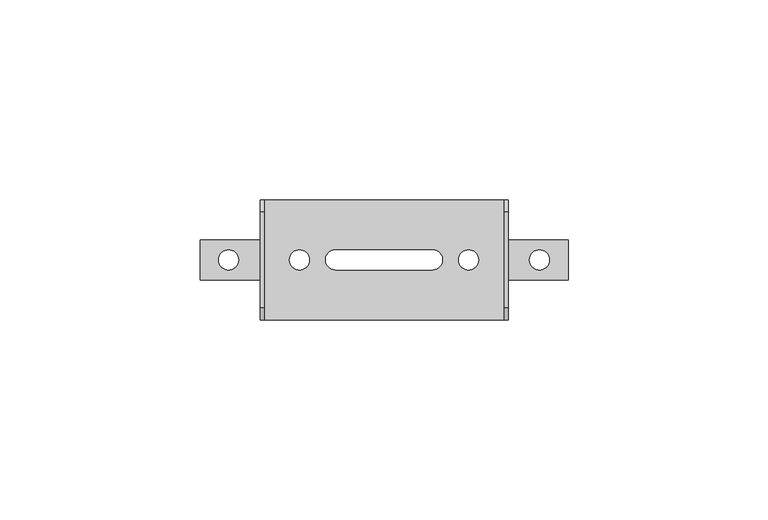
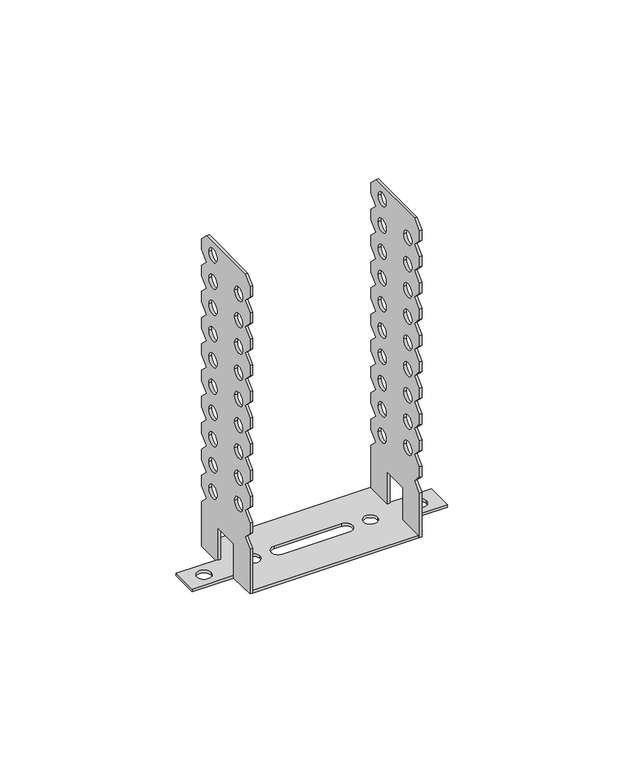
"""IFC4 building model written with IfcOpenShell, lengths in millimetres: proxy geometry."""

from ifc_helpers import new_model, si_unit, point, frame, frame_2d, origin, origin_with_axes, place, context, project, spatial, polyline, circle_curve, trimmed, segment, composite_curve, outline, extrude, source, transform, mapped, element, save


def generic_models_07d005d9(model_context):
    return source(origin(), model_context, "Body", "SweptSolid", [
        extrude(outline(polyline([(5.0, 0.0), (5.0, 13.0), (-5.0, 13.0), (-5.0, 0.0), (-15.0, 0.0), (-15.0, 17.0), (-12.0, 20.0), (-15.0, 23.0), (-15.0, 27.0), (-12.0, 30.0), (-15.0, 33.0), (-15.0, 37.0), (-12.0, 40.0), (-15.0, 43.0), (-15.0, 47.0), (-12.0, 50.0), (-15.0, 53.0), (-15.0, 57.0), (-12.0, 60.0), (-15.0, 63.0), (-15.0, 67.0), (-12.0, 70.0), (-15.0, 73.0), (-15.0, 77.0), (-12.0, 80.0), (-15.0, 83.0), (-15.0, 87.0), (-12.0, 90.0), (-15.0, 93.0), (-15.0, 97.0), (-12.0, 100.0), (-15.0, 103.0), (-15.0, 107.0), (-12.0, 110.0), (-15.0, 113.0), (-15.0, 117.0), (-12.0, 120.0), (12.0, 120.0), (15.0, 117.0), (15.0, 113.0), (12.0, 110.0), (15.0, 107.0), (15.0, 103.0), (12.0, 100.0), (15.0, 97.0), (15.0, 93.0), (12.0, 90.0), (15.0, 87.0), (15.0, 83.0), (12.0, 80.0), (15.0, 77.0), (15.0, 73.0), (12.0, 70.0), (15.0, 67.0), (15.0, 63.0), (12.0, 60.0), (15.0, 57.0), (15.0, 53.0), (12.0, 50.0), (15.0, 47.0), (15.0, 43.0), (12.0, 40.0), (15.0, 37.0), (15.0, 33.0), (12.0, 30.0), (15.0, 27.0), (15.0, 23.0), (12.0, 20.0), (15.0, 17.0), (15.0, 0.0), (5.0, 0.0)]), holes=[composite_curve([segment(trimmed(circle_curve(frame_2d((-8.0, 70.0)), 2.5), [point((-10.5, 70.0))], [point((-5.5, 70.0))], True, "CARTESIAN"), True, "CONTINUOUS"), segment(trimmed(circle_curve(frame_2d((-8.0, 70.0)), 2.5), [point((-5.5, 70.0))], [point((-10.5, 70.0))], True, "CARTESIAN"), True, "CONTINUOUS")], self_intersect=False), composite_curve([segment(trimmed(circle_curve(frame_2d((8.0, 25.0)), 2.5), [point((10.5, 25.0))], [point((5.5, 25.0))], True, "CARTESIAN"), True, "CONTINUOUS"), segment(trimmed(circle_curve(frame_2d((8.0, 25.0)), 2.5), [point((5.5, 25.0))], [point((10.5, 25.0))], True, "CARTESIAN"), True, "CONTINUOUS")], self_intersect=False), composite_curve([segment(trimmed(circle_curve(frame_2d((-8.0, 30.0)), 2.5), [point((-10.5, 30.0))], [point((-5.5, 30.0))], True, "CARTESIAN"), True, "CONTINUOUS"), segment(trimmed(circle_curve(frame_2d((-8.0, 30.0)), 2.5), [point((-5.5, 30.0))], [point((-10.5, 30.0))], True, "CARTESIAN"), True, "CONTINUOUS")], self_intersect=False), composite_curve([segment(trimmed(circle_curve(frame_2d((8.0, 35.0)), 2.5), [point((10.5, 35.0))], [point((5.5, 35.0))], True, "CARTESIAN"), True, "CONTINUOUS"), segment(trimmed(circle_curve(frame_2d((8.0, 35.0)), 2.5), [point((5.5, 35.0))], [point((10.5, 35.0))], True, "CARTESIAN"), True, "CONTINUOUS")], self_intersect=False), composite_curve([segment(trimmed(circle_curve(frame_2d((-8.0, 40.0)), 2.5), [point((-10.5, 40.0))], [point((-5.5, 40.0))], True, "CARTESIAN"), True, "CONTINUOUS"), segment(trimmed(circle_curve(frame_2d((-8.0, 40.0)), 2.5), [point((-5.5, 40.0))], [point((-10.5, 40.0))], True, "CARTESIAN"), True, "CONTINUOUS")], self_intersect=False), composite_curve([segment(trimmed(circle_curve(frame_2d((8.0, 45.0)), 2.5), [point((10.5, 45.0))], [point((5.5, 45.0))], True, "CARTESIAN"), True, "CONTINUOUS"), segment(trimmed(circle_curve(frame_2d((8.0, 45.0)), 2.5), [point((5.5, 45.0))], [point((10.5, 45.0))], True, "CARTESIAN"), True, "CONTINUOUS")], self_intersect=False), composite_curve([segment(trimmed(circle_curve(frame_2d((-8.0, 50.0)), 2.5), [point((-10.5, 50.0))], [point((-5.5, 50.0))], True, "CARTESIAN"), True, "CONTINUOUS"), segment(trimmed(circle_curve(frame_2d((-8.0, 50.0)), 2.5), [point((-5.5, 50.0))], [point((-10.5, 50.0))], True, "CARTESIAN"), True, "CONTINUOUS")], self_intersect=False), composite_curve([segment(trimmed(circle_curve(frame_2d((8.0, 55.0)), 2.5), [point((10.5, 55.0))], [point((5.5, 55.0))], True, "CARTESIAN"), True, "CONTINUOUS"), segment(trimmed(circle_curve(frame_2d((8.0, 55.0)), 2.5), [point((5.5, 55.0))], [point((10.5, 55.0))], True, "CARTESIAN"), True, "CONTINUOUS")], self_intersect=False), composite_curve([segment(trimmed(circle_curve(frame_2d((-8.0, 60.0)), 2.5), [point((-10.5, 60.0))], [point((-5.5, 60.0))], True, "CARTESIAN"), True, "CONTINUOUS"), segment(trimmed(circle_curve(frame_2d((-8.0, 60.0)), 2.5), [point((-5.5, 60.0))], [point((-10.5, 60.0))], True, "CARTESIAN"), True, "CONTINUOUS")], self_intersect=False), composite_curve([segment(trimmed(circle_curve(frame_2d((8.0, 65.0)), 2.5), [point((10.5, 65.0))], [point((5.5, 65.0))], True, "CARTESIAN"), True, "CONTINUOUS"), segment(trimmed(circle_curve(frame_2d((8.0, 65.0)), 2.5), [point((5.5, 65.0))], [point((10.5, 65.0))], True, "CARTESIAN"), True, "CONTINUOUS")], self_intersect=False), composite_curve([segment(trimmed(circle_curve(frame_2d((8.0, 75.0)), 2.5), [point((10.5, 75.0))], [point((5.5, 75.0))], True, "CARTESIAN"), True, "CONTINUOUS"), segment(trimmed(circle_curve(frame_2d((8.0, 75.0)), 2.5), [point((5.5, 75.0))], [point((10.5, 75.0))], True, "CARTESIAN"), True, "CONTINUOUS")], self_intersect=False), composite_curve([segment(trimmed(circle_curve(frame_2d((-8.0, 80.0)), 2.5), [point((-10.5, 80.0))], [point((-5.5, 80.0))], True, "CARTESIAN"), True, "CONTINUOUS"), segment(trimmed(circle_curve(frame_2d((-8.0, 80.0)), 2.5), [point((-5.5, 80.0))], [point((-10.5, 80.0))], True, "CARTESIAN"), True, "CONTINUOUS")], self_intersect=False), composite_curve([segment(trimmed(circle_curve(frame_2d((8.0, 85.0)), 2.5), [point((10.5, 85.0))], [point((5.5, 85.0))], True, "CARTESIAN"), True, "CONTINUOUS"), segment(trimmed(circle_curve(frame_2d((8.0, 85.0)), 2.5), [point((5.5, 85.0))], [point((10.5, 85.0))], True, "CARTESIAN"), True, "CONTINUOUS")], self_intersect=False), composite_curve([segment(trimmed(circle_curve(frame_2d((-8.0, 90.0)), 2.5), [point((-10.5, 90.0))], [point((-5.5, 90.0))], True, "CARTESIAN"), True, "CONTINUOUS"), segment(trimmed(circle_curve(frame_2d((-8.0, 90.0)), 2.5), [point((-5.5, 90.0))], [point((-10.5, 90.0))], True, "CARTESIAN"), True, "CONTINUOUS")], self_intersect=False), composite_curve([segment(trimmed(circle_curve(frame_2d((8.0, 95.0)), 2.5), [point((10.5, 95.0))], [point((5.5, 95.0))], True, "CARTESIAN"), True, "CONTINUOUS"), segment(trimmed(circle_curve(frame_2d((8.0, 95.0)), 2.5), [point((5.5, 95.0))], [point((10.5, 95.0))], True, "CARTESIAN"), True, "CONTINUOUS")], self_intersect=False), composite_curve([segment(trimmed(circle_curve(frame_2d((-8.0, 100.0)), 2.5), [point((-10.5, 100.0))], [point((-5.5, 100.0))], True, "CARTESIAN"), True, "CONTINUOUS"), segment(trimmed(circle_curve(frame_2d((-8.0, 100.0)), 2.5), [point((-5.5, 100.0))], [point((-10.5, 100.0))], True, "CARTESIAN"), True, "CONTINUOUS")], self_intersect=False), composite_curve([segment(trimmed(circle_curve(frame_2d((8.0, 105.0)), 2.5), [point((10.5, 105.0))], [point((5.5, 105.0))], True, "CARTESIAN"), True, "CONTINUOUS"), segment(trimmed(circle_curve(frame_2d((8.0, 105.0)), 2.5), [point((5.5, 105.0))], [point((10.5, 105.0))], True, "CARTESIAN"), True, "CONTINUOUS")], self_intersect=False), composite_curve([segment(trimmed(circle_curve(frame_2d((-8.0, 110.0)), 2.5), [point((-10.5, 110.0))], [point((-5.5, 110.0))], True, "CARTESIAN"), True, "CONTINUOUS"), segment(trimmed(circle_curve(frame_2d((-8.0, 110.0)), 2.5), [point((-5.5, 110.0))], [point((-10.5, 110.0))], True, "CARTESIAN"), True, "CONTINUOUS")], self_intersect=False), composite_curve([segment(trimmed(circle_curve(frame_2d((8.0, 115.0)), 2.5), [point((10.5, 115.0))], [point((5.5, 115.0))], True, "CARTESIAN"), True, "CONTINUOUS"), segment(trimmed(circle_curve(frame_2d((8.0, 115.0)), 2.5), [point((5.5, 115.0))], [point((10.5, 115.0))], True, "CARTESIAN"), True, "CONTINUOUS")], self_intersect=False)]), frame((30.0, 0.0, 0.0), z_axis=(1.0, 0.0, 0.0), x_axis=(0.0, 1.0, 0.0)), (0.0, 0.0, 1.0), 1.0),
        extrude(outline(polyline([(5.0, 0.0), (5.0, 13.0), (-5.0, 13.0), (-5.0, 0.0), (-15.0, 0.0), (-15.0, 17.0), (-12.0, 20.0), (-15.0, 23.0), (-15.0, 27.0), (-12.0, 30.0), (-15.0, 33.0), (-15.0, 37.0), (-12.0, 40.0), (-15.0, 43.0), (-15.0, 47.0), (-12.0, 50.0), (-15.0, 53.0), (-15.0, 57.0), (-12.0, 60.0), (-15.0, 63.0), (-15.0, 67.0), (-12.0, 70.0), (-15.0, 73.0), (-15.0, 77.0), (-12.0, 80.0), (-15.0, 83.0), (-15.0, 87.0), (-12.0, 90.0), (-15.0, 93.0), (-15.0, 97.0), (-12.0, 100.0), (-15.0, 103.0), (-15.0, 107.0), (-12.0, 110.0), (-15.0, 113.0), (-15.0, 117.0), (-12.0, 120.0), (12.0, 120.0), (15.0, 117.0), (15.0, 113.0), (12.0, 110.0), (15.0, 107.0), (15.0, 103.0), (12.0, 100.0), (15.0, 97.0), (15.0, 93.0), (12.0, 90.0), (15.0, 87.0), (15.0, 83.0), (12.0, 80.0), (15.0, 77.0), (15.0, 73.0), (12.0, 70.0), (15.0, 67.0), (15.0, 63.0), (12.0, 60.0), (15.0, 57.0), (15.0, 53.0), (12.0, 50.0), (15.0, 47.0), (15.0, 43.0), (12.0, 40.0), (15.0, 37.0), (15.0, 33.0), (12.0, 30.0), (15.0, 27.0), (15.0, 23.0), (12.0, 20.0), (15.0, 17.0), (15.0, 0.0), (5.0, 0.0)]), holes=[composite_curve([segment(trimmed(circle_curve(frame_2d((-8.0, 70.0)), 2.5), [point((-10.5, 70.0))], [point((-5.5, 70.0))], True, "CARTESIAN"), True, "CONTINUOUS"), segment(trimmed(circle_curve(frame_2d((-8.0, 70.0)), 2.5), [point((-5.5, 70.0))], [point((-10.5, 70.0))], True, "CARTESIAN"), True, "CONTINUOUS")], self_intersect=False), composite_curve([segment(trimmed(circle_curve(frame_2d((8.0, 25.0)), 2.5), [point((10.5, 25.0))], [point((5.5, 25.0))], True, "CARTESIAN"), True, "CONTINUOUS"), segment(trimmed(circle_curve(frame_2d((8.0, 25.0)), 2.5), [point((5.5, 25.0))], [point((10.5, 25.0))], True, "CARTESIAN"), True, "CONTINUOUS")], self_intersect=False), composite_curve([segment(trimmed(circle_curve(frame_2d((-8.0, 30.0)), 2.5), [point((-10.5, 30.0))], [point((-5.5, 30.0))], True, "CARTESIAN"), True, "CONTINUOUS"), segment(trimmed(circle_curve(frame_2d((-8.0, 30.0)), 2.5), [point((-5.5, 30.0))], [point((-10.5, 30.0))], True, "CARTESIAN"), True, "CONTINUOUS")], self_intersect=False), composite_curve([segment(trimmed(circle_curve(frame_2d((8.0, 35.0)), 2.5), [point((10.5, 35.0))], [point((5.5, 35.0))], True, "CARTESIAN"), True, "CONTINUOUS"), segment(trimmed(circle_curve(frame_2d((8.0, 35.0)), 2.5), [point((5.5, 35.0))], [point((10.5, 35.0))], True, "CARTESIAN"), True, "CONTINUOUS")], self_intersect=False), composite_curve([segment(trimmed(circle_curve(frame_2d((-8.0, 40.0)), 2.5), [point((-10.5, 40.0))], [point((-5.5, 40.0))], True, "CARTESIAN"), True, "CONTINUOUS"), segment(trimmed(circle_curve(frame_2d((-8.0, 40.0)), 2.5), [point((-5.5, 40.0))], [point((-10.5, 40.0))], True, "CARTESIAN"), True, "CONTINUOUS")], self_intersect=False), composite_curve([segment(trimmed(circle_curve(frame_2d((8.0, 45.0)), 2.5), [point((10.5, 45.0))], [point((5.5, 45.0))], True, "CARTESIAN"), True, "CONTINUOUS"), segment(trimmed(circle_curve(frame_2d((8.0, 45.0)), 2.5), [point((5.5, 45.0))], [point((10.5, 45.0))], True, "CARTESIAN"), True, "CONTINUOUS")], self_intersect=False), composite_curve([segment(trimmed(circle_curve(frame_2d((-8.0, 50.0)), 2.5), [point((-10.5, 50.0))], [point((-5.5, 50.0))], True, "CARTESIAN"), True, "CONTINUOUS"), segment(trimmed(circle_curve(frame_2d((-8.0, 50.0)), 2.5), [point((-5.5, 50.0))], [point((-10.5, 50.0))], True, "CARTESIAN"), True, "CONTINUOUS")], self_intersect=False), composite_curve([segment(trimmed(circle_curve(frame_2d((8.0, 55.0)), 2.5), [point((10.5, 55.0))], [point((5.5, 55.0))], True, "CARTESIAN"), True, "CONTINUOUS"), segment(trimmed(circle_curve(frame_2d((8.0, 55.0)), 2.5), [point((5.5, 55.0))], [point((10.5, 55.0))], True, "CARTESIAN"), True, "CONTINUOUS")], self_intersect=False), composite_curve([segment(trimmed(circle_curve(frame_2d((-8.0, 60.0)), 2.5), [point((-10.5, 60.0))], [point((-5.5, 60.0))], True, "CARTESIAN"), True, "CONTINUOUS"), segment(trimmed(circle_curve(frame_2d((-8.0, 60.0)), 2.5), [point((-5.5, 60.0))], [point((-10.5, 60.0))], True, "CARTESIAN"), True, "CONTINUOUS")], self_intersect=False), composite_curve([segment(trimmed(circle_curve(frame_2d((8.0, 65.0)), 2.5), [point((10.5, 65.0))], [point((5.5, 65.0))], True, "CARTESIAN"), True, "CONTINUOUS"), segment(trimmed(circle_curve(frame_2d((8.0, 65.0)), 2.5), [point((5.5, 65.0))], [point((10.5, 65.0))], True, "CARTESIAN"), True, "CONTINUOUS")], self_intersect=False), composite_curve([segment(trimmed(circle_curve(frame_2d((8.0, 75.0)), 2.5), [point((10.5, 75.0))], [point((5.5, 75.0))], True, "CARTESIAN"), True, "CONTINUOUS"), segment(trimmed(circle_curve(frame_2d((8.0, 75.0)), 2.5), [point((5.5, 75.0))], [point((10.5, 75.0))], True, "CARTESIAN"), True, "CONTINUOUS")], self_intersect=False), composite_curve([segment(trimmed(circle_curve(frame_2d((-8.0, 80.0)), 2.5), [point((-10.5, 80.0))], [point((-5.5, 80.0))], True, "CARTESIAN"), True, "CONTINUOUS"), segment(trimmed(circle_curve(frame_2d((-8.0, 80.0)), 2.5), [point((-5.5, 80.0))], [point((-10.5, 80.0))], True, "CARTESIAN"), True, "CONTINUOUS")], self_intersect=False), composite_curve([segment(trimmed(circle_curve(frame_2d((8.0, 85.0)), 2.5), [point((10.5, 85.0))], [point((5.5, 85.0))], True, "CARTESIAN"), True, "CONTINUOUS"), segment(trimmed(circle_curve(frame_2d((8.0, 85.0)), 2.5), [point((5.5, 85.0))], [point((10.5, 85.0))], True, "CARTESIAN"), True, "CONTINUOUS")], self_intersect=False), composite_curve([segment(trimmed(circle_curve(frame_2d((-8.0, 90.0)), 2.5), [point((-10.5, 90.0))], [point((-5.5, 90.0))], True, "CARTESIAN"), True, "CONTINUOUS"), segment(trimmed(circle_curve(frame_2d((-8.0, 90.0)), 2.5), [point((-5.5, 90.0))], [point((-10.5, 90.0))], True, "CARTESIAN"), True, "CONTINUOUS")], self_intersect=False), composite_curve([segment(trimmed(circle_curve(frame_2d((8.0, 95.0)), 2.5), [point((10.5, 95.0))], [point((5.5, 95.0))], True, "CARTESIAN"), True, "CONTINUOUS"), segment(trimmed(circle_curve(frame_2d((8.0, 95.0)), 2.5), [point((5.5, 95.0))], [point((10.5, 95.0))], True, "CARTESIAN"), True, "CONTINUOUS")], self_intersect=False), composite_curve([segment(trimmed(circle_curve(frame_2d((-8.0, 100.0)), 2.5), [point((-10.5, 100.0))], [point((-5.5, 100.0))], True, "CARTESIAN"), True, "CONTINUOUS"), segment(trimmed(circle_curve(frame_2d((-8.0, 100.0)), 2.5), [point((-5.5, 100.0))], [point((-10.5, 100.0))], True, "CARTESIAN"), True, "CONTINUOUS")], self_intersect=False), composite_curve([segment(trimmed(circle_curve(frame_2d((8.0, 105.0)), 2.5), [point((10.5, 105.0))], [point((5.5, 105.0))], True, "CARTESIAN"), True, "CONTINUOUS"), segment(trimmed(circle_curve(frame_2d((8.0, 105.0)), 2.5), [point((5.5, 105.0))], [point((10.5, 105.0))], True, "CARTESIAN"), True, "CONTINUOUS")], self_intersect=False), composite_curve([segment(trimmed(circle_curve(frame_2d((-8.0, 110.0)), 2.5), [point((-10.5, 110.0))], [point((-5.5, 110.0))], True, "CARTESIAN"), True, "CONTINUOUS"), segment(trimmed(circle_curve(frame_2d((-8.0, 110.0)), 2.5), [point((-5.5, 110.0))], [point((-10.5, 110.0))], True, "CARTESIAN"), True, "CONTINUOUS")], self_intersect=False), composite_curve([segment(trimmed(circle_curve(frame_2d((8.0, 115.0)), 2.5), [point((10.5, 115.0))], [point((5.5, 115.0))], True, "CARTESIAN"), True, "CONTINUOUS"), segment(trimmed(circle_curve(frame_2d((8.0, 115.0)), 2.5), [point((5.5, 115.0))], [point((10.5, 115.0))], True, "CARTESIAN"), True, "CONTINUOUS")], self_intersect=False)]), frame((-31.0, 0.0, 0.0), z_axis=(1.0, 0.0, 0.0), x_axis=(0.0, 1.0, 0.0)), (0.0, 0.0, 1.0), 1.0),
        extrude(outline(polyline([(30.0, 15.0), (30.0, 5.0), (46.0, 5.0), (46.0, -5.0), (30.0, -5.0), (30.0, -15.0), (-30.0, -15.0), (-30.0, -5.0), (-46.0, -5.0), (-46.0, 5.0), (-30.0, 5.0), (-30.0, 15.0), (30.0, 15.0)]), holes=[composite_curve([segment(trimmed(circle_curve(frame_2d((-38.8683525, 0.0)), 2.5), [point((-41.3683525, 0.0))], [point((-36.3683525, 0.0))], True, "CARTESIAN"), True, "CONTINUOUS"), segment(trimmed(circle_curve(frame_2d((-38.8683525, 0.0)), 2.5), [point((-36.3683525, 0.0))], [point((-41.3683525, 0.0))], True, "CARTESIAN"), True, "CONTINUOUS")], self_intersect=False), composite_curve([segment(trimmed(circle_curve(frame_2d((38.8683525, 0.0)), 2.5), [point((41.3683525, 0.0))], [point((36.3683525, 0.0))], True, "CARTESIAN"), True, "CONTINUOUS"), segment(trimmed(circle_curve(frame_2d((38.8683525, 0.0)), 2.5), [point((36.3683525, 0.0))], [point((41.3683525, 0.0))], True, "CARTESIAN"), True, "CONTINUOUS")], self_intersect=False), composite_curve([segment(trimmed(circle_curve(frame_2d((-21.1316475, 0.0)), 2.5), [point((-18.6316475, 0.0))], [point((-23.6316475, 0.0))], True, "CARTESIAN"), True, "CONTINUOUS"), segment(trimmed(circle_curve(frame_2d((-21.1316475, 0.0)), 2.5), [point((-23.6316475, 0.0))], [point((-18.6316475, 0.0))], True, "CARTESIAN"), True, "CONTINUOUS")], self_intersect=False), composite_curve([segment(polyline([(-12.1316475, -2.5), (12.1316475, -2.5)]), True, "CONTINUOUS"), segment(trimmed(circle_curve(frame_2d((12.1316475, 0.0)), 2.5), [point((12.1316475, -2.5))], [point((12.1316475, 2.5))], True, "CARTESIAN"), True, "CONTINUOUS"), segment(polyline([(12.1316475, 2.5), (-12.1316475, 2.5)]), True, "CONTINUOUS"), segment(trimmed(circle_curve(frame_2d((-12.1316475, 0.0)), 2.5), [point((-12.1316475, 2.5))], [point((-12.1316475, -2.5))], True, "CARTESIAN"), True, "CONTINUOUS")], self_intersect=False), composite_curve([segment(trimmed(circle_curve(frame_2d((21.1316475, 0.0)), 2.5), [point((18.6316475, 0.0))], [point((23.6316475, 0.0))], True, "CARTESIAN"), True, "CONTINUOUS"), segment(trimmed(circle_curve(frame_2d((21.1316475, 0.0)), 2.5), [point((23.6316475, 0.0))], [point((18.6316475, 0.0))], True, "CARTESIAN"), True, "CONTINUOUS")], self_intersect=False)]), origin_with_axes(), (0.0, 0.0, 1.0), 1.0),
    ])


if __name__ == "__main__":
    model = new_model("IFC4")
    model_context = context("Model", 3, world=origin())
    ifc_project = project(units=[si_unit("LENGTHUNIT", "METRE", prefix="MILLI")], contexts=[model_context])
    site = spatial("IfcSite", under=ifc_project)
    building = spatial("IfcBuilding", under=site)
    placement = place(None, origin())
    generic_models_shape = generic_models_07d005d9(model_context)
    element("IfcBuildingElementProxy", 1, Name="Generic Models", at=placement, inside=building, context=model_context, shape_type="MappedRepresentation", body=[
        mapped(generic_models_shape, transform((0.0, 0.0, 0.0), x_axis=(1.0, 0.0, 0.0), y_axis=(0.0, 1.0, 0.0), z_axis=(0.0, 0.0, 1.0))),
    ])
    save(model, "model.ifc")
